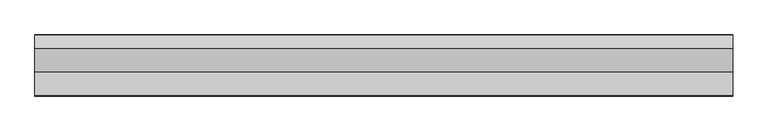
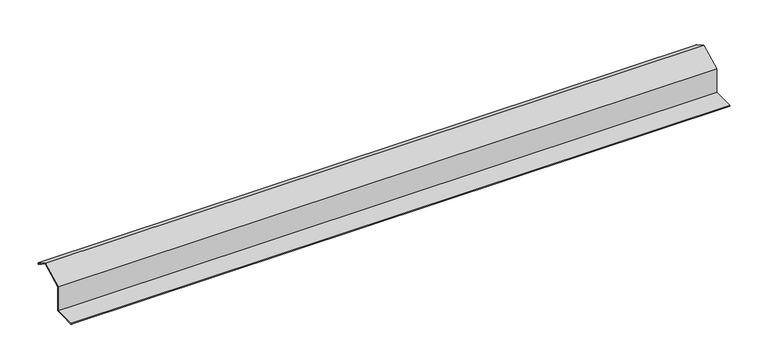
"""IFC4 building model written with IfcOpenShell, lengths in millimetres: proxy geometry."""

from ifc_helpers import new_model, si_unit, point, frame, frame_2d, origin, place, context, project, spatial, polyline, circle_curve, trimmed, segment, composite_curve, outline, extrude, source, transform, mapped, element, save


def generic_models_0c0f544a(model_context):
    return source(origin(), model_context, "Body", "SweptSolid", [
        extrude(outline(composite_curve([segment(trimmed(circle_curve(frame_2d((-0.875, 44.6960426)), 0.875), [point((-0.4375, 45.4538149))], [point((-1.3125, 43.9382704))], False, "CARTESIAN"), True, "CONTINUOUS"), segment(polyline([(-1.3125, 43.9382704), (-9.972754, 48.9382704), (-9.583234, 49.6369335), (-0.8375, 44.7609946), (-18.8827751, 55.179439), (-52.0432394, 38.2350564), (-52.0432394, 0.0408361), (-86.4258767, -0.1120601), (-76.6969088, -0.1120601), (-76.6969088, -0.9120601), (-86.6969088, -0.9120601)]), True, "CONTINUOUS"), segment(trimmed(circle_curve(frame_2d((-86.6969088, -0.0870601)), 0.825), [point((-86.6969088, -0.9120601))], [point((-86.6969088, 0.7379399))], False, "CARTESIAN"), True, "CONTINUOUS"), segment(polyline([(-86.6969088, 0.7379399), (-52.8432394, 0.7379399), (-52.8432394, 38.7246617), (-18.8594641, 56.0897408), (-0.4375, 45.4538149)]), True, "CONTINUOUS")], self_intersect=False)), frame((0.0, 0.0, 0.0), z_axis=(1.0, 0.0, 0.0), x_axis=(0.0, 1.0, 0.0)), (0.0, 0.0, 1.0), 1000.0),
    ])


if __name__ == "__main__":
    model = new_model("IFC4")
    model_context = context("Model", 3, world=origin())
    ifc_project = project(units=[si_unit("LENGTHUNIT", "METRE", prefix="MILLI")], contexts=[model_context])
    site = spatial("IfcSite", under=ifc_project)
    building = spatial("IfcBuilding", under=site)
    placement = place(None, origin())
    generic_models_shape = generic_models_0c0f544a(model_context)
    element("IfcBuildingElementProxy", 1, Name="Generic Models", at=placement, inside=building, context=model_context, shape_type="MappedRepresentation", body=[
        mapped(generic_models_shape, transform((0.0, 0.0, 0.0), x_axis=(1.0, 0.0, 0.0), y_axis=(0.0, 1.0, 0.0), z_axis=(0.0, 0.0, 1.0))),
    ])
    save(model, "model.ifc")
